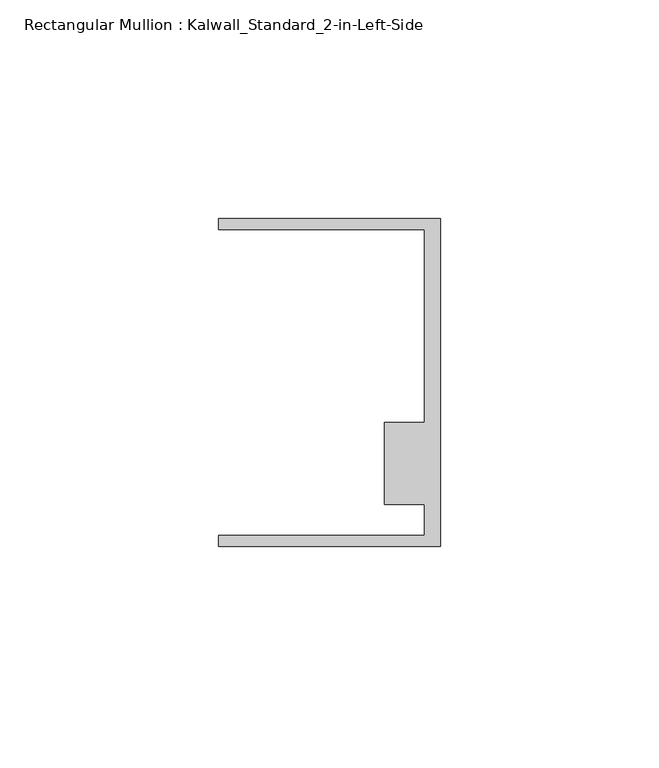
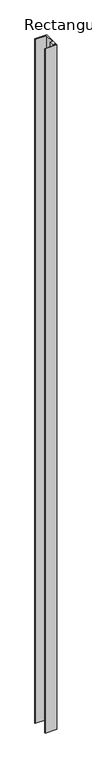
"""IFC4 building model written with IfcOpenShell, lengths in millimetres: member geometry, Rectangular Mullion : Kalwall_Standard_2-in-Left-Side."""

from ifc_helpers import new_model, si_unit, frame, origin, place, context, project, spatial, polyline, outline, extrude, source, transform, mapped, element, save


def rectangular_mullion_kalwall_standard_2_in_left_side_fe854d43(model_context):
    return source(origin(), model_context, "Body", "SweptSolid", [
        extrude(outline(polyline([(0.0, -37.5776386), (-50.8, -37.5776386), (-50.8, -35.0376386), (-3.7084, -35.0376386), (-3.7084, -27.8888568), (-12.8272539, -27.8888568), (-12.8272539, -9.1879886), (-3.7084, -9.1879886), (-3.7084, 34.9623614), (-50.8, 34.9623614), (-50.8, 37.5023614), (0.0, 37.5023614), (0.0, -37.5776386)])), frame((0.0, 0.0, -3098.8), z_axis=(0.0, 0.0, 1.0), x_axis=(1.0, 0.0, 0.0)), (0.0, 0.0, 1.0), 3098.8),
    ])


if __name__ == "__main__":
    model = new_model("IFC4")
    model_context = context("Model", 3, world=origin())
    ifc_project = project(units=[si_unit("LENGTHUNIT", "METRE", prefix="MILLI")], contexts=[model_context])
    site = spatial("IfcSite", under=ifc_project)
    building = spatial("IfcBuilding", under=site)
    placement = place(None, origin())
    rectangular_mullion_kalwall_standard_2_in_left_side_shape = rectangular_mullion_kalwall_standard_2_in_left_side_fe854d43(model_context)
    element("IfcMember", 1, ObjectType="Rectangular Mullion : Kalwall_Standard_2-in-Left-Side", at=placement, inside=building, context=model_context, shape_type="MappedRepresentation", body=[
        mapped(rectangular_mullion_kalwall_standard_2_in_left_side_shape, transform((0.0, 0.0, 0.0), x_axis=(1.0, 0.0, 0.0), y_axis=(0.0, 1.0, 0.0), z_axis=(0.0, 0.0, 1.0))),
    ])
    save(model, "model.ifc")
